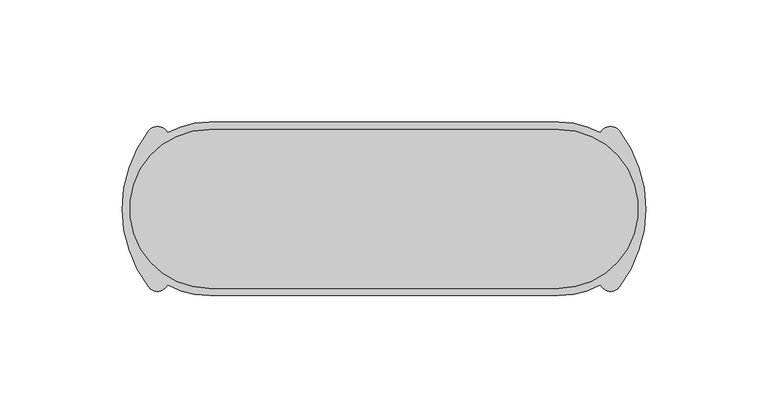
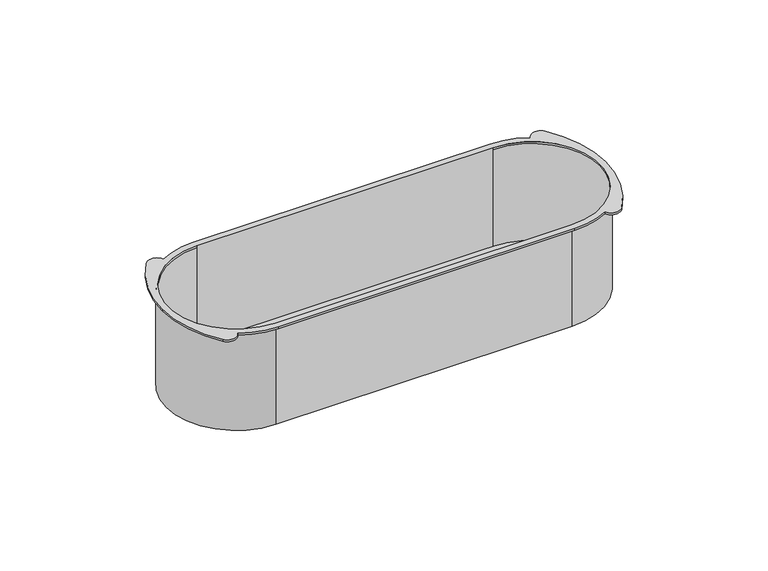
"""IFC4 building model written with IfcOpenShell, lengths in millimetres: proxy geometry."""

from ifc_helpers import new_model, si_unit, point, frame, frame_2d, origin, place, context, project, spatial, polyline, circle_curve, trimmed, segment, composite_curve, outline, extrude, source, transform, mapped, element, save
from ifc_brep_helpers import plane_surface, cylinder_surface, revolved_surface, advanced_brep


def electrical_fixtures_ea6da722(model_context):
    return source(origin(), model_context, "Body", "SolidModel", [
        advanced_brep(
        [(71.5, -33.5, -50.0), (-71.5, -33.5, -50.0), (-71.5, 33.5, -50.0), (71.5, 33.5, -50.0), (71.5, -32.5, -50.0), (71.5, 32.5, -50.0), (-71.5, 32.5, -50.0), (-71.5, -32.5, -50.0), (71.5, -32.5, 0.0), (71.5, 32.5, 0.0), (71.5, 33.5, 0.0), (71.5, -33.5, 0.0), (71.5, 35.5, 1.0), (-71.5, 35.5, 1.0), (-88.507708, 31.1606782, 1.0), (-96.2231662, 31.9859514, 1.0), (-107.0, 0.0, 1.0), (-96.2231662, -31.9859514, 1.0), (-88.507708, -31.1606782, 1.0), (-71.5, -35.5, 1.0), (71.5, -35.5, 1.0), (88.507708, -31.1606782, 1.0), (96.2231662, -31.9859514, 1.0), (107.0, 0.0, 1.0), (96.2231662, 31.9859514, 1.0), (88.507708, 31.1606782, 1.0), (71.5, 32.5, 1.0), (71.5, -32.5, 1.0), (-71.5, -32.5, 1.0), (-71.5, 32.5, 1.0), (71.5, 35.5, 0.0), (88.507708, 31.1606782, 0.0), (96.2231662, 31.9859514, 0.0), (107.0, 0.0, 0.0), (96.2231662, -31.9859514, 0.0), (88.507708, -31.1606782, 0.0), (71.5, -35.5, 0.0), (-71.5, -35.5, 0.0), (-88.507708, -31.1606782, 0.0), (-96.2231662, -31.9859514, 0.0), (-107.0, 0.0, 0.0), (-96.2231662, 31.9859514, 0.0), (-88.507708, 31.1606782, 0.0), (-71.5, 35.5, 0.0), (-71.5, 33.5, 0.0), (-71.5, -33.5, 0.0), (-71.5, -32.5, 0.0), (-71.5, 32.5, 0.0)],
        [
            (0, 1),
            (1, 2, circle_curve(frame((-71.5, 0.0, -50.0), z_axis=(0.0, 0.0, -1.0), x_axis=(0.0, -1.0, 0.0)), 33.5)),
            (2, 3),
            (3, 0, circle_curve(frame((71.5, 0.0, -50.0), z_axis=(0.0, 0.0, -1.0), x_axis=(0.0, -1.0, 0.0)), 33.5)),
            (4, 5, circle_curve(frame((71.5, 0.0, -50.0), z_axis=(0.0, 0.0, 1.0), x_axis=(0.0, -1.0, 0.0)), 32.5)),
            (5, 6),
            (6, 7, circle_curve(frame((-71.5, 0.0, -50.0), z_axis=(0.0, 0.0, 1.0), x_axis=(0.0, -1.0, 0.0)), 32.5)),
            (7, 4),
            (4, 8),
            (8, 9, circle_curve(frame((71.5, 0.0, 0.0), z_axis=(0.0, 0.0, 1.0), x_axis=(0.0, -1.0, 0.0)), 32.5)),
            (9, 5),
            (3, 10),
            (10, 11, circle_curve(frame((71.5, 0.0, 0.0), z_axis=(0.0, 0.0, -1.0), x_axis=(0.0, -1.0, 0.0)), 33.5)),
            (11, 0),
            (12, 13),
            (13, 14, circle_curve(frame((-71.5, 0.0, 1.0), z_axis=(0.0, 0.0, 1.0), x_axis=(0.0, -1.0, 0.0)), 35.5)),
            (14, 15, circle_curve(frame((-92.614694, 29.2430182, 1.0), z_axis=(0.0, 0.0, 1.0), x_axis=(0.0, -1.0, 0.0)), 4.5326321)),
            (15, 16, circle_curve(frame((-54.143973, 0.0, 1.0), z_axis=(0.0, 0.0, 1.0), x_axis=(0.0, -1.0, 0.0)), 52.856027)),
            (16, 17, circle_curve(frame((-54.143973, 0.0, 1.0), z_axis=(0.0, 0.0, 1.0), x_axis=(0.0, 1.0, 0.0)), 52.856027)),
            (17, 18, circle_curve(frame((-92.614694, -29.2430182, 1.0), z_axis=(0.0, 0.0, 1.0), x_axis=(0.0, 1.0, 0.0)), 4.5326321)),
            (18, 19, circle_curve(frame((-71.5, 0.0, 1.0), z_axis=(0.0, 0.0, 1.0), x_axis=(0.0, -1.0, 0.0)), 35.5)),
            (19, 20),
            (20, 21, circle_curve(frame((71.5, 0.0, 1.0), z_axis=(0.0, 0.0, 1.0), x_axis=(0.0, -1.0, 0.0)), 35.5)),
            (21, 22, circle_curve(frame((92.614694, -29.2430182, 1.0), z_axis=(0.0, 0.0, 1.0), x_axis=(0.0, 1.0, 0.0)), 4.5326321)),
            (22, 23, circle_curve(frame((54.143973, 0.0, 1.0), z_axis=(0.0, 0.0, 1.0), x_axis=(0.0, 1.0, 0.0)), 52.856027)),
            (23, 24, circle_curve(frame((54.143973, 0.0, 1.0), z_axis=(0.0, 0.0, 1.0), x_axis=(0.0, -1.0, 0.0)), 52.856027)),
            (24, 25, circle_curve(frame((92.614694, 29.2430182, 1.0), z_axis=(0.0, 0.0, 1.0), x_axis=(0.0, -1.0, 0.0)), 4.5326321)),
            (25, 12, circle_curve(frame((71.5, 0.0, 1.0), z_axis=(0.0, 0.0, 1.0), x_axis=(0.0, -1.0, 0.0)), 35.5)),
            (26, 27, circle_curve(frame((71.5, 0.0, 1.0), z_axis=(0.0, 0.0, -1.0), x_axis=(0.0, -1.0, 0.0)), 32.5)),
            (27, 28),
            (28, 29, circle_curve(frame((-71.5, 0.0, 1.0), z_axis=(0.0, 0.0, -1.0), x_axis=(0.0, -1.0, 0.0)), 32.5)),
            (29, 26),
            (30, 31, circle_curve(frame((71.5, 0.0, 0.0), z_axis=(0.0, 0.0, -1.0), x_axis=(0.0, -1.0, 0.0)), 35.5)),
            (31, 32, circle_curve(frame((92.614694, 29.2430182, 0.0), z_axis=(0.0, 0.0, -1.0), x_axis=(0.0, -1.0, 0.0)), 4.5326321)),
            (32, 33, circle_curve(frame((54.143973, 0.0, 0.0), z_axis=(0.0, 0.0, -1.0), x_axis=(0.0, -1.0, 0.0)), 52.856027)),
            (33, 34, circle_curve(frame((54.143973, 0.0, 0.0), z_axis=(0.0, 0.0, -1.0), x_axis=(0.0, 1.0, 0.0)), 52.856027)),
            (34, 35, circle_curve(frame((92.614694, -29.2430182, 0.0), z_axis=(0.0, 0.0, -1.0), x_axis=(0.0, 1.0, 0.0)), 4.5326321)),
            (35, 36, circle_curve(frame((71.5, 0.0, 0.0), z_axis=(0.0, 0.0, -1.0), x_axis=(0.0, -1.0, 0.0)), 35.5)),
            (36, 37),
            (37, 38, circle_curve(frame((-71.5, 0.0, 0.0), z_axis=(0.0, 0.0, -1.0), x_axis=(0.0, -1.0, 0.0)), 35.5)),
            (38, 39, circle_curve(frame((-92.614694, -29.2430182, 0.0), z_axis=(0.0, 0.0, -1.0), x_axis=(0.0, 1.0, 0.0)), 4.5326321)),
            (39, 40, circle_curve(frame((-54.143973, 0.0, 0.0), z_axis=(0.0, 0.0, -1.0), x_axis=(0.0, 1.0, 0.0)), 52.856027)),
            (40, 41, circle_curve(frame((-54.143973, 0.0, 0.0), z_axis=(0.0, 0.0, -1.0), x_axis=(0.0, -1.0, 0.0)), 52.856027)),
            (41, 42, circle_curve(frame((-92.614694, 29.2430182, 0.0), z_axis=(0.0, 0.0, -1.0), x_axis=(0.0, -1.0, 0.0)), 4.5326321)),
            (42, 43, circle_curve(frame((-71.5, 0.0, 0.0), z_axis=(0.0, 0.0, -1.0), x_axis=(0.0, -1.0, 0.0)), 35.5)),
            (43, 30),
            (10, 44),
            (44, 45, circle_curve(frame((-71.5, 0.0, 0.0), z_axis=(0.0, 0.0, 1.0), x_axis=(0.0, -1.0, 0.0)), 33.5)),
            (45, 11),
            (20, 36),
            (35, 21),
            (25, 31),
            (30, 12),
            (34, 22),
            (33, 23),
            (32, 24),
            (43, 13),
            (42, 14),
            (41, 15),
            (40, 16),
            (39, 17),
            (38, 18),
            (37, 19),
            (26, 9),
            (8, 27),
            (28, 46),
            (46, 47, circle_curve(frame((-71.5, 0.0, 0.0), z_axis=(0.0, 0.0, -1.0), x_axis=(0.0, -1.0, 0.0)), 32.5)),
            (47, 29),
            (7, 46),
            (6, 47),
            (2, 44),
            (1, 45),
        ],
        [
            plane_surface(frame((-71.5, -32.5, -50.0), z_axis=(0.0, 0.0, -1.0), x_axis=(1.0, 0.0, 0.0))),
            revolved_surface(polyline([(71.5, -32.5, -50.0), (71.5, -32.5, 0.0)]), (71.5, 0.0, -50.0), (0.0, 0.0, -1.0)),
            cylinder_surface(frame((71.5, 0.0, 0.0), z_axis=(0.0, 0.0, 1.0), x_axis=(0.0, -1.0, 0.0)), 33.5),
            plane_surface(frame((-71.5, 35.5, 1.0), z_axis=(0.0, 0.0, 1.0), x_axis=(-1.0, 0.0, 0.0))),
            plane_surface(frame((-71.5, 35.5, 0.0), z_axis=(0.0, 0.0, -1.0), x_axis=(1.0, 0.0, 0.0))),
            cylinder_surface(frame((71.5, 0.0, 0.0), z_axis=(0.0, 0.0, 1.0), x_axis=(0.0, -1.0, 0.0)), 35.5),
            cylinder_surface(frame((92.614694, -29.2430182, 0.0), z_axis=(0.0, 0.0, 1.0), x_axis=(0.0, 1.0, 0.0)), 4.5326321),
            cylinder_surface(frame((54.143973, 0.0, 0.0), z_axis=(0.0, 0.0, 1.0), x_axis=(0.0, 1.0, 0.0)), 52.856027),
            cylinder_surface(frame((54.143973, 0.0, 0.0), z_axis=(0.0, 0.0, 1.0), x_axis=(0.0, -1.0, 0.0)), 52.856027),
            cylinder_surface(frame((92.614694, 29.2430182, 0.0), z_axis=(0.0, 0.0, 1.0), x_axis=(0.0, -1.0, 0.0)), 4.5326321),
            plane_surface(frame((71.5, 35.5, 1.0), z_axis=(0.0, 1.0, 0.0), x_axis=(0.0, 0.0, -1.0))),
            cylinder_surface(frame((-71.5, 0.0, 0.0), z_axis=(0.0, 0.0, 1.0), x_axis=(0.0, -1.0, 0.0)), 35.5),
            cylinder_surface(frame((-92.614694, 29.2430182, 0.0), z_axis=(0.0, 0.0, 1.0), x_axis=(0.0, -1.0, 0.0)), 4.5326321),
            cylinder_surface(frame((-54.143973, 0.0, 0.0), z_axis=(0.0, 0.0, 1.0), x_axis=(0.0, -1.0, 0.0)), 52.856027),
            cylinder_surface(frame((-54.143973, 0.0, 0.0), z_axis=(0.0, 0.0, 1.0), x_axis=(0.0, 1.0, 0.0)), 52.856027),
            cylinder_surface(frame((-92.614694, -29.2430182, 0.0), z_axis=(0.0, 0.0, 1.0), x_axis=(0.0, 1.0, 0.0)), 4.5326321),
            plane_surface(frame((-71.5, -35.5, 1.0), z_axis=(0.0, -1.0, 0.0), x_axis=(0.0, 0.0, -1.0))),
            revolved_surface(polyline([(71.5, -32.5, 0.0), (71.5, -32.5, 1.0)]), (71.5, 0.0, 0.0), (0.0, 0.0, -1.0)),
            revolved_surface(polyline([(-71.5, -32.5, 0.0), (-71.5, -32.5, 1.0)]), (-71.5, 0.0, 0.0), (0.0, 0.0, -1.0)),
            plane_surface(frame((71.5, -32.5, 0.0), z_axis=(0.0, 1.0, 0.0), x_axis=(0.0, 0.0, -1.0))),
            revolved_surface(polyline([(-71.5, -32.5, -50.0), (-71.5, -32.5, 0.0)]), (-71.5, 0.0, -50.0), (0.0, 0.0, -1.0)),
            plane_surface(frame((-71.5, 32.5, 0.0), z_axis=(0.0, -1.0, 0.0), x_axis=(0.0, 0.0, -1.0))),
            plane_surface(frame((71.5, 33.5, 0.0), z_axis=(0.0, 1.0, 0.0), x_axis=(0.0, 0.0, -1.0))),
            cylinder_surface(frame((-71.5, 0.0, 0.0), z_axis=(0.0, 0.0, 1.0), x_axis=(0.0, -1.0, 0.0)), 33.5),
            plane_surface(frame((-71.5, -33.5, 0.0), z_axis=(0.0, -1.0, 0.0), x_axis=(0.0, 0.0, -1.0))),
        ],
        [
            (0, [[1, 2, 3, 4], [5, 6, 7, 8]]),
            (1, [[-5, 9, 10, 11]]),
            (2, [[-4, 12, 13, 14]]),
            (3, [[15, 16, 17, 18, 19, 20, 21, 22, 23, 24, 25, 26, 27, 28], [29, 30, 31, 32]]),
            (4, [[33, 34, 35, 36, 37, 38, 39, 40, 41, 42, 43, 44, 45, 46], [-13, 47, 48, 49]]),
            (5, [[-23, 50, -38, 51]]),
            (5, [[-28, 52, -33, 53]]),
            (6, [[-24, -51, -37, 54]]),
            (7, [[-25, -54, -36, 55]]),
            (8, [[-26, -55, -35, 56]]),
            (9, [[-27, -56, -34, -52]]),
            (10, [[-15, -53, -46, 57]]),
            (11, [[-16, -57, -45, 58]]),
            (12, [[-17, -58, -44, 59]]),
            (13, [[-18, -59, -43, 60]]),
            (14, [[-19, -60, -42, 61]]),
            (15, [[-20, -61, -41, 62]]),
            (11, [[-21, -62, -40, 63]]),
            (16, [[-22, -63, -39, -50]]),
            (17, [[-29, 64, -10, 65]]),
            (18, [[-31, 66, 67, 68]]),
            (19, [[-8, 69, -66, -30, -65, -9]]),
            (20, [[-7, 70, -67, -69]]),
            (21, [[-6, -11, -64, -32, -68, -70]]),
            (22, [[-3, 71, -47, -12]]),
            (23, [[-2, 72, -48, -71]]),
            (24, [[-1, -14, -49, -72]]),
        ],
    ),
        extrude(outline(composite_curve([segment(polyline([(-71.5, 32.5), (71.5, 32.5)]), True, "CONTINUOUS"), segment(trimmed(circle_curve(frame_2d((71.5, 0.0)), 32.5), [point((71.5, 32.5))], [point((71.5, -32.5))], False, "CARTESIAN"), True, "CONTINUOUS"), segment(polyline([(71.5, -32.5), (-71.5, -32.5)]), True, "CONTINUOUS"), segment(trimmed(circle_curve(frame_2d((-71.5, 0.0)), 32.5), [point((-71.5, -32.5))], [point((-71.5, 32.5))], False, "CARTESIAN"), True, "CONTINUOUS")], self_intersect=False)), frame((0.0, 0.0, -50.0), z_axis=(0.0, 0.0, 1.0), x_axis=(1.0, 0.0, 0.0)), (0.0, 0.0, 1.0), 1.0),
    ])


if __name__ == "__main__":
    model = new_model("IFC4")
    model_context = context("Model", 3, world=origin())
    ifc_project = project(units=[si_unit("LENGTHUNIT", "METRE", prefix="MILLI")], contexts=[model_context])
    site = spatial("IfcSite", under=ifc_project)
    building = spatial("IfcBuilding", under=site)
    placement = place(None, origin())
    electrical_fixtures_shape = electrical_fixtures_ea6da722(model_context)
    element("IfcBuildingElementProxy", 1, Name="Electrical Fixtures", at=placement, inside=building, context=model_context, shape_type="MappedRepresentation", body=[
        mapped(electrical_fixtures_shape, transform((0.0, 0.0, 0.0), x_axis=(1.0, 0.0, 0.0), y_axis=(0.0, 1.0, 0.0), z_axis=(0.0, 0.0, 1.0))),
    ])
    save(model, "model.ifc")
